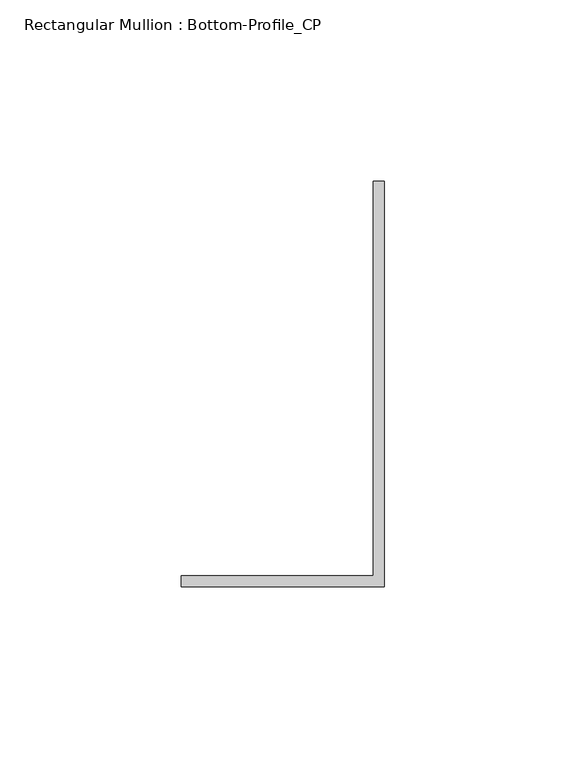
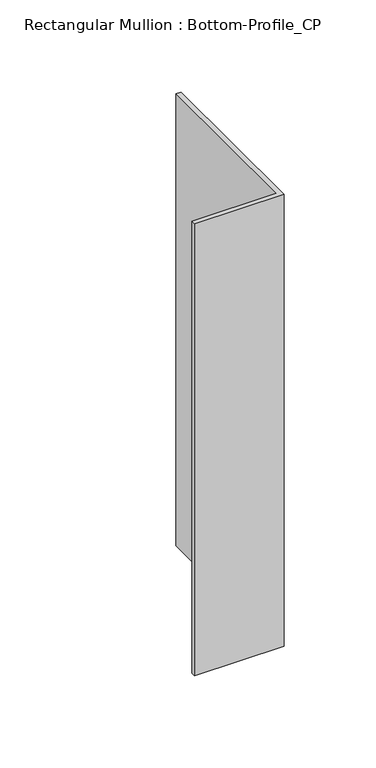
"""IFC4 building model written with IfcOpenShell, lengths in millimetres: member geometry, Rectangular Mullion : Bottom-Profile_CP."""

from ifc_helpers import new_model, si_unit, frame, origin, place, context, project, spatial, polyline, outline, extrude, source, transform, mapped, element, save


def rectangular_mullion_bottom_profile_cp_6995e5b6(model_context):
    return source(origin(), model_context, "Body", "SweptSolid", [
        extrude(outline(polyline([(-56.0, -104.0000064), (-2.999988, -104.0000129), (-2.9999746, 4.7999882), (0.0, 4.7999882), (0.0, -107.0), (-56.0, -107.0), (-56.0, -104.0000064)])), frame((0.0, 0.0, -300.0), z_axis=(0.0, 0.0, 1.0), x_axis=(1.0, 0.0, 0.0)), (0.0, 0.0, 1.0), 300.0),
    ])


if __name__ == "__main__":
    model = new_model("IFC4")
    model_context = context("Model", 3, world=origin())
    ifc_project = project(units=[si_unit("LENGTHUNIT", "METRE", prefix="MILLI")], contexts=[model_context])
    site = spatial("IfcSite", under=ifc_project)
    building = spatial("IfcBuilding", under=site)
    placement = place(None, origin())
    rectangular_mullion_bottom_profile_cp_shape = rectangular_mullion_bottom_profile_cp_6995e5b6(model_context)
    element("IfcMember", 1, ObjectType="Rectangular Mullion : Bottom-Profile_CP", at=placement, inside=building, context=model_context, shape_type="MappedRepresentation", body=[
        mapped(rectangular_mullion_bottom_profile_cp_shape, transform((0.0, 0.0, 0.0), x_axis=(1.0, 0.0, 0.0), y_axis=(0.0, 1.0, 0.0), z_axis=(0.0, 0.0, 1.0))),
    ])
    save(model, "model.ifc")
